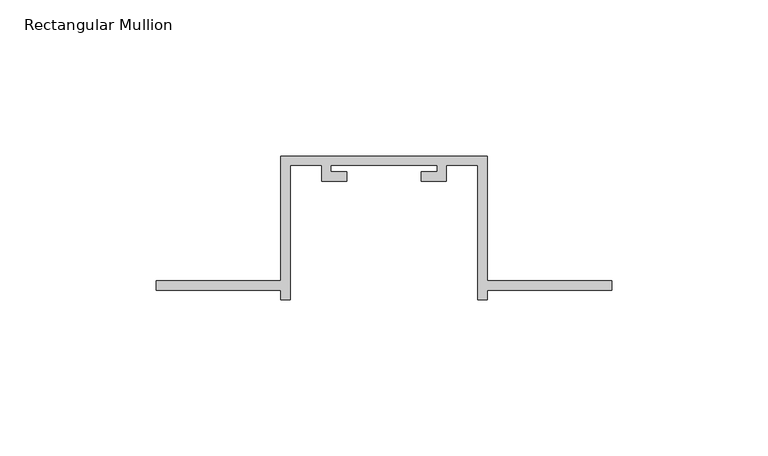
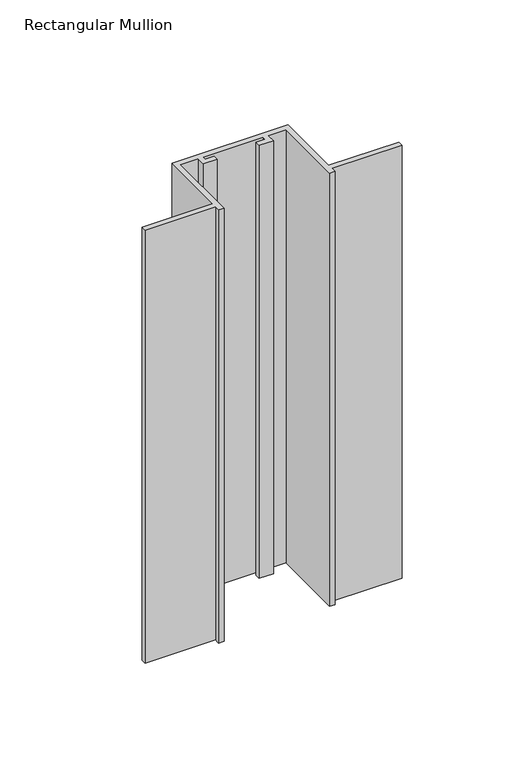
"""IFC4 building model written with IfcOpenShell, lengths in millimetres: member geometry, Rectangular Mullion."""

from ifc_helpers import new_model, si_unit, frame, origin, place, context, project, spatial, polyline, outline, extrude, source, transform, mapped, element, save


def rectangular_mullion_fd807d84(model_context):
    return source(origin(), model_context, "Body", "SweptSolid", [
        extrude(outline(polyline([(-40.0, -132.0), (-40.0, -135.0), (-43.0, -135.0), (-43.0, -92.0), (-53.0, -92.0), (-53.0, -97.0), (-61.0, -97.0), (-61.0, -94.0), (-56.0, -94.0), (-56.0, -92.0), (-90.0, -92.0), (-90.0, -94.0), (-85.0, -94.0), (-85.0, -97.0), (-93.0, -97.0), (-93.0, -92.0), (-103.0, -92.0), (-103.0, -135.0), (-106.0, -135.0), (-106.0, -132.0), (-146.0, -132.0), (-146.0, -129.0), (-106.0, -129.0), (-106.0, -89.0), (-40.0, -89.0), (-40.0, -129.0), (0.0, -129.0), (0.0, -132.0), (-40.0, -132.0)])), frame((0.0, 0.0, -260.0), z_axis=(0.0, 0.0, 1.0), x_axis=(1.0, 0.0, 0.0)), (0.0, 0.0, 1.0), 260.0),
    ])


if __name__ == "__main__":
    model = new_model("IFC4")
    model_context = context("Model", 3, world=origin())
    ifc_project = project(units=[si_unit("LENGTHUNIT", "METRE", prefix="MILLI")], contexts=[model_context])
    site = spatial("IfcSite", under=ifc_project)
    building = spatial("IfcBuilding", under=site)
    placement = place(None, origin())
    rectangular_mullion_shape = rectangular_mullion_fd807d84(model_context)
    element("IfcMember", 1, ObjectType="Rectangular Mullion", at=placement, inside=building, context=model_context, shape_type="MappedRepresentation", body=[
        mapped(rectangular_mullion_shape, transform((0.0, 0.0, 0.0), x_axis=(1.0, 0.0, 0.0), y_axis=(0.0, 1.0, 0.0), z_axis=(0.0, 0.0, 1.0))),
    ])
    save(model, "model.ifc")
